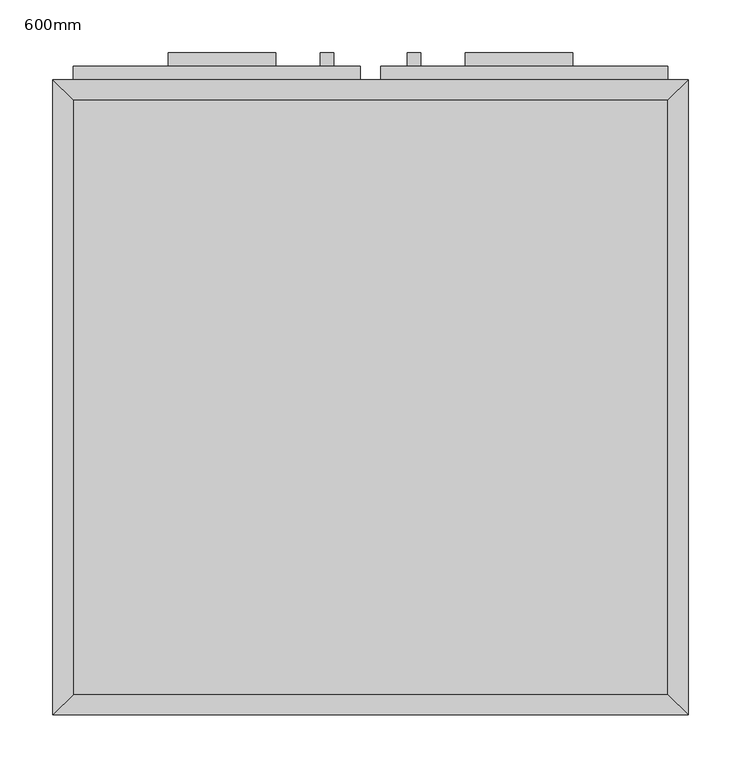
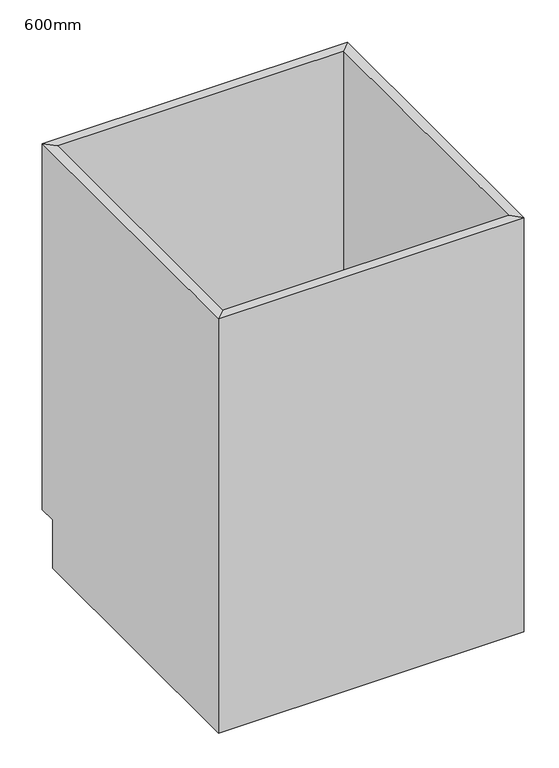
"""IFC4 building model written with IfcOpenShell, lengths in millimetres: furniture geometry, 600mm."""

from ifc_helpers import new_model, si_unit, frame, origin, place, context, project, spatial, polyline, outline, extrude, faceted_brep, source, transform, mapped, element, save


def furniture_600mm_a5b8a291(model_context):
    return source(origin(), model_context, "Body", "SolidModel", [
        faceted_brep([(299.6877049, 580.95, 860.0), (-262.2122951, 580.95, 860.0), (-262.2122951, 580.95, 100.0), (299.6877049, 580.95, 100.0), (318.7377049, 600.0, 860.0), (-281.2622951, 600.0, 860.0), (318.7377049, 600.0, 100.0), (-281.2622951, 600.0, 100.0), (-262.2122951, 19.05, 860.0), (-262.2122951, 19.05, 100.0), (-262.2122951, 565.0, 100.0), (-281.2622951, 0.0, 860.0), (-281.2622951, 565.0, 100.0), (-281.2622951, 565.0, 0.0), (-281.2622951, 0.0, 0.0), (299.6877049, 19.05, 860.0), (299.6877049, 19.05, 100.0), (318.7377049, 0.0, 860.0), (318.7377049, 0.0, 0.0), (299.6877049, 565.0, 100.0), (318.7377049, 565.0, 0.0), (318.7377049, 565.0, 100.0)], [[[0, 1, 2, 3]], [[0, 4, 5, 1]], [[4, 6, 7, 5]], [[2, 7, 6, 3]], [[1, 8, 9, 10, 2]], [[5, 11, 8, 1]], [[7, 12, 13, 14, 11, 5]], [[2, 10, 12, 7]], [[8, 15, 16, 9]], [[11, 17, 15, 8]], [[14, 18, 17, 11]], [[3, 19, 16, 15, 0]], [[0, 15, 17, 4]], [[4, 17, 18, 20, 21, 6]], [[6, 21, 19, 3]], [[10, 9, 16, 19]], [[18, 14, 13, 20]], [[13, 12, 10, 19, 21, 20]]]),
        extrude(outline(polyline([(-70.9372951, 625.4), (-70.9372951, 612.7), (-172.5372951, 612.7), (-172.5372951, 625.4), (-70.9372951, 625.4)])), frame((0.0, 0.0, 802.85), z_axis=(0.0, 0.0, 1.0), x_axis=(1.0, 0.0, 0.0)), (0.0, 0.0, 1.0), 12.7),
        extrude(outline(polyline([(210.0127049, 625.4), (210.0127049, 612.7), (108.4127049, 612.7), (108.4127049, 625.4), (210.0127049, 625.4)])), frame((0.0, 0.0, 802.85), z_axis=(0.0, 0.0, 1.0), x_axis=(1.0, 0.0, 0.0)), (0.0, 0.0, 1.0), 12.7),
        extrude(outline(polyline([(-16.1872951, 625.4), (-16.1872951, 612.7), (-28.8872951, 612.7), (-28.8872951, 625.4), (-16.1872951, 625.4)])), frame((0.0, 0.0, 580.6), z_axis=(0.0, 0.0, 1.0), x_axis=(1.0, 0.0, 0.0)), (0.0, 0.0, 1.0), 101.6),
        extrude(outline(polyline([(66.3627049, 625.4), (66.3627049, 612.7), (53.6627049, 612.7), (53.6627049, 625.4), (66.3627049, 625.4)])), frame((0.0, 0.0, 580.6), z_axis=(0.0, 0.0, 1.0), x_axis=(1.0, 0.0, 0.0)), (0.0, 0.0, 1.0), 101.6),
        extrude(outline(polyline([(9.2127049, 612.7), (9.2127049, 600.0), (-262.2122951, 600.0), (-262.2122951, 612.7), (9.2127049, 612.7)])), frame((0.0, 0.0, 739.35), z_axis=(0.0, 0.0, 1.0), x_axis=(1.0, 0.0, 0.0)), (0.0, 0.0, 1.0), 101.6),
        extrude(outline(polyline([(299.6877049, 612.7), (299.6877049, 600.0), (28.2627049, 600.0), (28.2627049, 612.7), (299.6877049, 612.7)])), frame((0.0, 0.0, 739.35), z_axis=(0.0, 0.0, 1.0), x_axis=(1.0, 0.0, 0.0)), (0.0, 0.0, 1.0), 101.6),
        extrude(outline(polyline([(9.2127049, 612.7), (9.2127049, 600.0), (-262.2122951, 600.0), (-262.2122951, 612.7), (9.2127049, 612.7)])), frame((0.0, 0.0, 119.05), z_axis=(0.0, 0.0, 1.0), x_axis=(1.0, 0.0, 0.0)), (0.0, 0.0, 1.0), 601.25),
        extrude(outline(polyline([(299.6877049, 612.7), (299.6877049, 600.0), (28.2627049, 600.0), (28.2627049, 612.7), (299.6877049, 612.7)])), frame((0.0, 0.0, 119.05), z_axis=(0.0, 0.0, 1.0), x_axis=(1.0, 0.0, 0.0)), (0.0, 0.0, 1.0), 601.25),
        extrude(outline(polyline([(299.6877049, 19.05), (-262.2122951, 19.05), (-262.2122951, 580.95), (299.6877049, 580.95), (299.6877049, 19.05)])), frame((0.0, 0.0, 100.0), z_axis=(0.0, 0.0, 1.0), x_axis=(1.0, 0.0, 0.0)), (0.0, 0.0, 1.0), 19.05),
    ])


if __name__ == "__main__":
    model = new_model("IFC4")
    model_context = context("Model", 3, world=origin())
    ifc_project = project(units=[si_unit("LENGTHUNIT", "METRE", prefix="MILLI")], contexts=[model_context])
    site = spatial("IfcSite", under=ifc_project)
    building = spatial("IfcBuilding", under=site)
    placement = place(None, origin())
    furniture_600mm_shape = furniture_600mm_a5b8a291(model_context)
    element("IfcFurniture", 1, ObjectType="600mm", at=placement, inside=building, context=model_context, shape_type="MappedRepresentation", body=[
        mapped(furniture_600mm_shape, transform((0.0, 0.0, 0.0), x_axis=(1.0, 0.0, 0.0), y_axis=(0.0, 1.0, 0.0), z_axis=(0.0, 0.0, 1.0))),
    ])
    save(model, "model.ifc")
